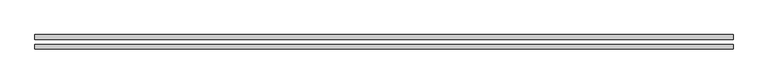
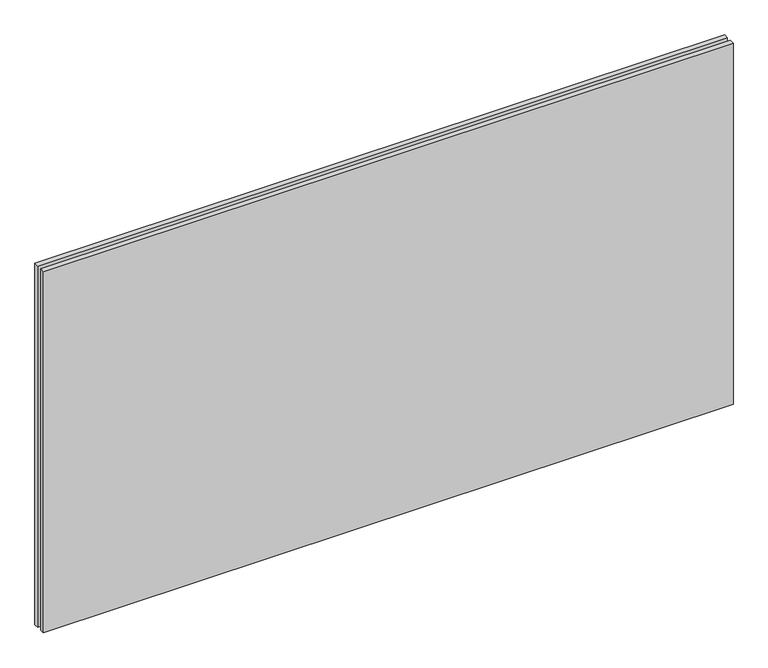
"""IFC4 building model written with IfcOpenShell, lengths in millimetres: plate geometry."""

from ifc_helpers import new_model, si_unit, origin, origin_with_axes, place, context, project, spatial, polyline, outline, extrude, source, transform, mapped, element, save


def plate_01d8fd81(model_context):
    return source(origin(), model_context, "Body", "SweptSolid", [
        extrude(outline(polyline([(605.0, -34.8), (-605.0, -34.8), (-605.0, -26.8), (605.0, -26.8), (605.0, -34.8)])), origin_with_axes(), (0.0, 0.0, 1.0), 670.0),
        extrude(outline(polyline([(605.0, -17.8), (-605.0, -17.8), (-605.0, -9.8), (605.0, -9.8), (605.0, -17.8)])), origin_with_axes(), (0.0, 0.0, 1.0), 670.0),
    ])


if __name__ == "__main__":
    model = new_model("IFC4")
    model_context = context("Model", 3, world=origin())
    ifc_project = project(units=[si_unit("LENGTHUNIT", "METRE", prefix="MILLI")], contexts=[model_context])
    site = spatial("IfcSite", under=ifc_project)
    building = spatial("IfcBuilding", under=site)
    placement = place(None, origin())
    plate_shape = plate_01d8fd81(model_context)
    element("IfcPlate", 1, at=placement, inside=building, context=model_context, shape_type="MappedRepresentation", body=[
        mapped(plate_shape, transform((0.0, 0.0, 0.0), x_axis=(1.0, 0.0, 0.0), y_axis=(0.0, 1.0, 0.0), z_axis=(0.0, 0.0, 1.0))),
    ])
    save(model, "model.ifc")
